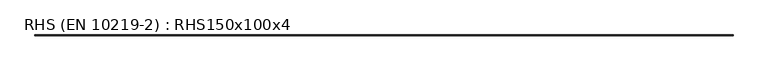
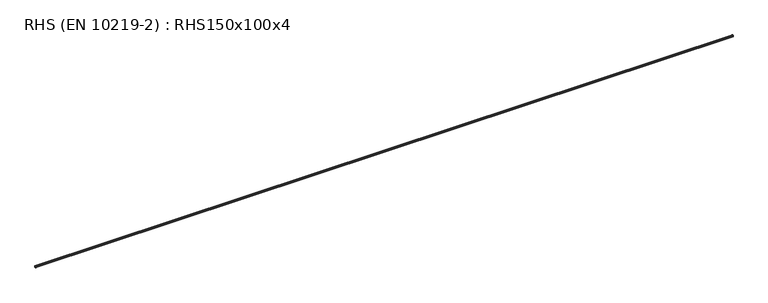
"""IFC4 building model written with IfcOpenShell, lengths in millimetres: beam geometry, RHS (EN 10219-2) : RHS150x100x4."""

from ifc_helpers import new_model, si_unit, point, frame, frame_2d, origin, place, context, project, spatial, polyline, circle_curve, trimmed, segment, composite_curve, outline, extrude, source, transform, mapped, element, save


def rhs_en_10219_2_rhs150x100x4_b247c4a6(model_context):
    return source(origin(), model_context, "Body", "SweptSolid", [
        extrude(outline(composite_curve([segment(polyline([(50.0, 67.0), (50.0, -67.0)]), True, "CONTINUOUS"), segment(trimmed(circle_curve(frame_2d((42.0, -67.0)), 8.0), [point((50.0, -67.0))], [point((42.0, -75.0))], False, "CARTESIAN"), True, "CONTINUOUS"), segment(polyline([(42.0, -75.0), (-42.0, -75.0)]), True, "CONTINUOUS"), segment(trimmed(circle_curve(frame_2d((-42.0, -67.0)), 8.0), [point((-42.0, -75.0))], [point((-50.0, -67.0))], False, "CARTESIAN"), True, "CONTINUOUS"), segment(polyline([(-50.0, -67.0), (-50.0, 67.0)]), True, "CONTINUOUS"), segment(trimmed(circle_curve(frame_2d((-42.0, 67.0)), 8.0), [point((-50.0, 67.0))], [point((-42.0, 75.0))], False, "CARTESIAN"), True, "CONTINUOUS"), segment(polyline([(-42.0, 75.0), (42.0, 75.0)]), True, "CONTINUOUS"), segment(trimmed(circle_curve(frame_2d((42.0, 67.0)), 8.0), [point((42.0, 75.0))], [point((50.0, 67.0))], False, "CARTESIAN"), True, "CONTINUOUS")], self_intersect=False), holes=[composite_curve([segment(trimmed(circle_curve(frame_2d((-42.0, 67.0)), 4.0), [point((-42.0, 71.0))], [point((-46.0, 67.0))], True, "CARTESIAN"), True, "CONTINUOUS"), segment(polyline([(-46.0, 67.0), (-46.0, -67.0)]), True, "CONTINUOUS"), segment(trimmed(circle_curve(frame_2d((-42.0, -67.0)), 4.0), [point((-46.0, -67.0))], [point((-42.0, -71.0))], True, "CARTESIAN"), True, "CONTINUOUS"), segment(polyline([(-42.0, -71.0), (42.0, -71.0)]), True, "CONTINUOUS"), segment(trimmed(circle_curve(frame_2d((42.0, -67.0)), 4.0), [point((42.0, -71.0))], [point((46.0, -67.0))], True, "CARTESIAN"), True, "CONTINUOUS"), segment(polyline([(46.0, -67.0), (46.0, 67.0)]), True, "CONTINUOUS"), segment(trimmed(circle_curve(frame_2d((42.0, 67.0)), 4.0), [point((46.0, 67.0))], [point((42.0, 71.0))], True, "CARTESIAN"), True, "CONTINUOUS"), segment(polyline([(42.0, 71.0), (-42.0, 71.0)]), True, "CONTINUOUS")], self_intersect=False)]), frame((-36100.0, 0.0, 0.0), z_axis=(1.0, 0.0, 0.0), x_axis=(0.0, 1.0, 0.0)), (0.0, 0.0, 1.0), 72200.0),
    ])


if __name__ == "__main__":
    model = new_model("IFC4")
    model_context = context("Model", 3, world=origin())
    ifc_project = project(units=[si_unit("LENGTHUNIT", "METRE", prefix="MILLI")], contexts=[model_context])
    site = spatial("IfcSite", under=ifc_project)
    building = spatial("IfcBuilding", under=site)
    placement = place(None, origin())
    rhs_en_10219_2_rhs150x100x4_shape = rhs_en_10219_2_rhs150x100x4_b247c4a6(model_context)
    element("IfcBeam", 1, ObjectType="RHS (EN 10219-2) : RHS150x100x4", at=placement, inside=building, context=model_context, shape_type="MappedRepresentation", body=[
        mapped(rhs_en_10219_2_rhs150x100x4_shape, transform((0.0, 0.0, 0.0), x_axis=(1.0, 0.0, 0.0), y_axis=(0.0, 1.0, 0.0), z_axis=(0.0, 0.0, 1.0))),
    ])
    save(model, "model.ifc")
